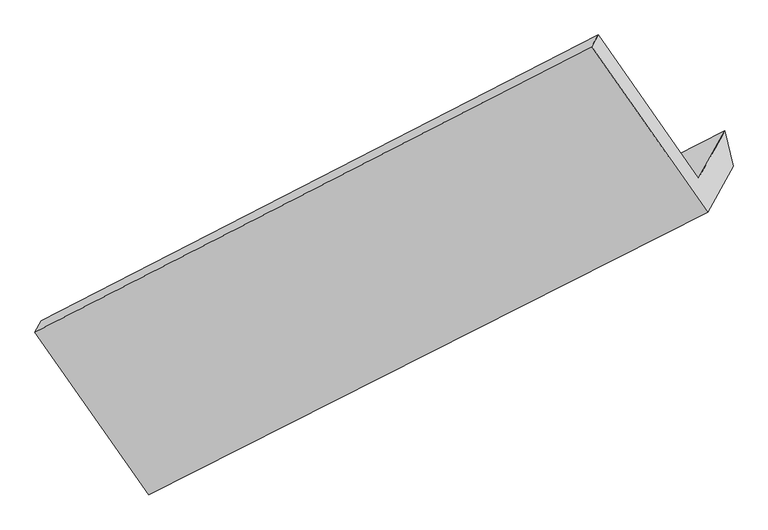
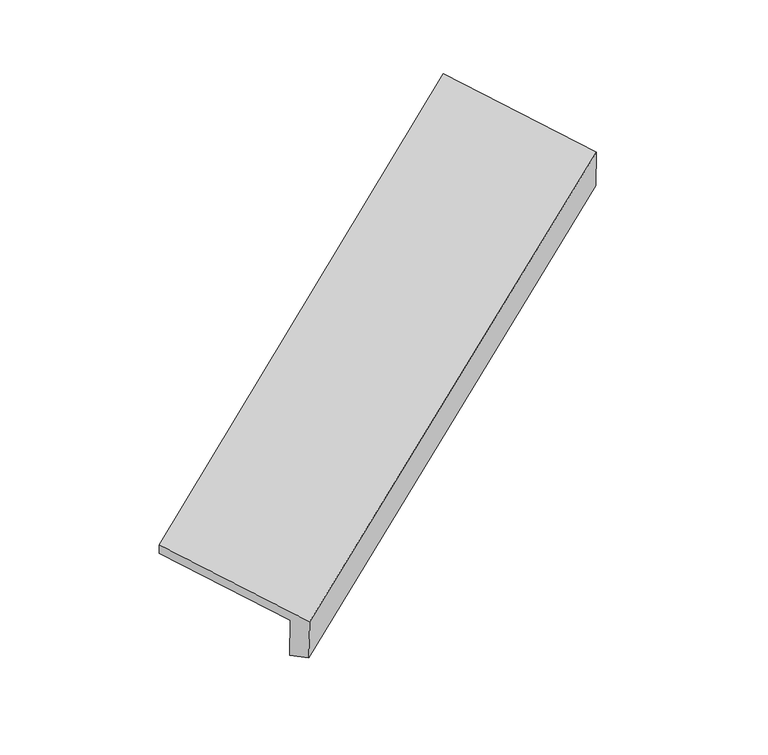
"""IFC4 building model written with IfcOpenShell, lengths in millimetres: proxy geometry."""

from ifc_helpers import new_model, si_unit, frame, origin, place, context, project, spatial, source, transform, mapped, element, save
from ifc_brep_helpers import plane_surface, spline_surface, advanced_brep


def generic_models_f74e0aa7(model_context):
    return source(origin(), model_context, "Body", "AdvancedBrep", [
        advanced_brep(
        [(-3892.5199813, -2439.5630206, 1348.6758989), (-3778.5932233, -2234.0224023, 965.3490473), (-1464.3253781, -1075.1165442, 2316.3766368), (-1570.4365849, -1266.556759, 2673.4066752), (-4364.8260796, -1763.9901143, 1570.5475728), (-2051.3702368, -577.5001937, 2899.9455907), (-4338.0433225, -1715.6700837, 1480.4322206), (-2024.5874798, -529.1801631, 2809.8302385), (-3925.2089162, -2306.1764116, 1286.4981149), (-1608.3847562, -1125.4936422, 2613.7821698), (-3815.987473, -2109.124873, 919.0031324), (-1497.9477307, -926.2490025, 2242.1971338)],
        [
            (0, 1),
            (1, 2),
            (2, 3),
            (3, 0),
            (4, 0),
            (3, 5),
            (5, 4),
            (6, 4),
            (5, 7),
            (7, 6),
            (8, 6),
            (7, 9),
            (9, 8),
            (10, 8),
            (9, 11),
            (11, 10),
            (1, 10),
            (11, 2),
        ],
        [
            plane_surface(frame((-3835.5566023, -2336.7927115, 1157.0124731), z_axis=(0.5499814026174529, -0.7930846216768836, -0.2617961795645109), x_axis=(0.25337979068612443, 0.4571343880794352, -0.8525413965943801))),
            plane_surface(frame((-4128.6730304, -2101.7765675, 1459.6117359), z_axis=(-0.2546834135722425, -0.4578006783613396, 0.851795103145755), x_axis=(0.5526089657153891, -0.7917492035629499, -0.26030084454031777))),
            plane_surface(frame((-4351.434701, -1739.830099, 1525.4898967), z_axis=(-0.5545129069413448, 0.7907750048461458, 0.25921097150012323), x_axis=(-0.2533797906861265, -0.45713438807943435, 0.85254139659438))),
            plane_surface(frame((-4131.6261194, -2010.9232477, 1383.4651677), z_axis=(0.25468341357221863, 0.45780067836135396, -0.8517951031457545), x_axis=(-0.5526089657153949, 0.7917492035629388, 0.2603008445403392))),
            spline_surface(1, 1, [[(-3815.987473, -2109.124873, 919.0031324), (-1497.9477307, -926.2490025, 2242.1971338)], [(-3925.2089162, -2306.1764116, 1286.4981149), (-1608.3847562, -1125.4936422, 2613.7821698)]], [2, 2], [2, 2], [0.0, 1.0], [0.0, 1.0]),
            spline_surface(1, 1, [[(-3778.5932233, -2234.0224023, 965.3490473), (-1464.3253781, -1075.1165442, 2316.3766368)], [(-3815.987473, -2109.124873, 919.0031324), (-1497.9477307, -926.2490025, 2242.1971338)]], [2, 2], [2, 2], [0.0, 1.0], [0.0, 1.0]),
            plane_surface(frame((-1702.8420277, -916.6827174, 2592.5897408), z_axis=(0.7939914390443241, 0.40516704589692365, 0.45322980886464637), x_axis=(-0.5526089657153949, 0.7917492035629388, 0.2603008445403392))),
            plane_surface(frame((-4019.1964993, -2094.7578176, 1261.7509978), z_axis=(-0.7935197038849569, -0.4058423628934054, -0.45345171300528525), x_axis=(-0.2533797906860632, -0.4571343880794691, 0.8525413965943801))),
        ],
        [
            (0, [[1, 2, 3, 4]]),
            (1, [[5, -4, 6, 7]]),
            (2, [[8, -7, 9, 10]]),
            (3, [[11, -10, 12, 13]]),
            (4, [[14, -13, 15, 16]]),
            (5, [[17, -16, 18, -2]]),
            (6, [[-12, -9, -6, -3, -18, -15]]),
            (7, [[-1, -5, -8, -11, -14, -17]]),
        ],
    ),
    ])


if __name__ == "__main__":
    model = new_model("IFC4")
    model_context = context("Model", 3, world=origin())
    ifc_project = project(units=[si_unit("LENGTHUNIT", "METRE", prefix="MILLI")], contexts=[model_context])
    site = spatial("IfcSite", under=ifc_project)
    building = spatial("IfcBuilding", under=site)
    placement = place(None, origin())
    generic_models_shape = generic_models_f74e0aa7(model_context)
    element("IfcBuildingElementProxy", 1, Name="Generic Models", at=placement, inside=building, context=model_context, shape_type="MappedRepresentation", body=[
        mapped(generic_models_shape, transform((0.0, 0.0, 0.0), x_axis=(1.0, 0.0, 0.0), y_axis=(0.0, 1.0, 0.0), z_axis=(0.0, 0.0, 1.0))),
    ])
    save(model, "model.ifc")
